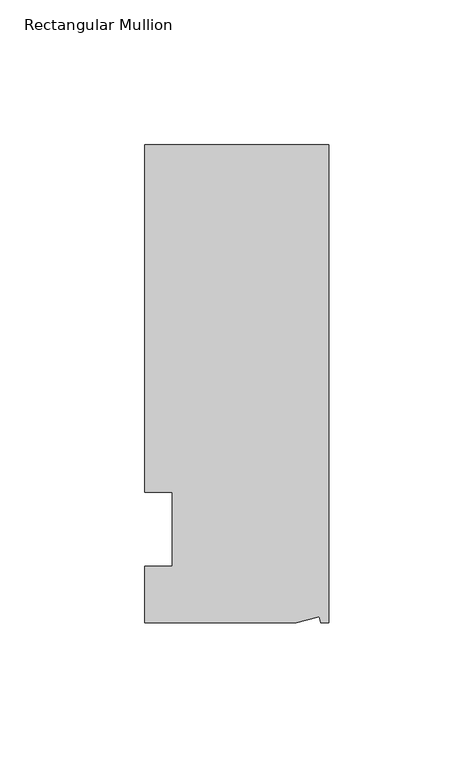
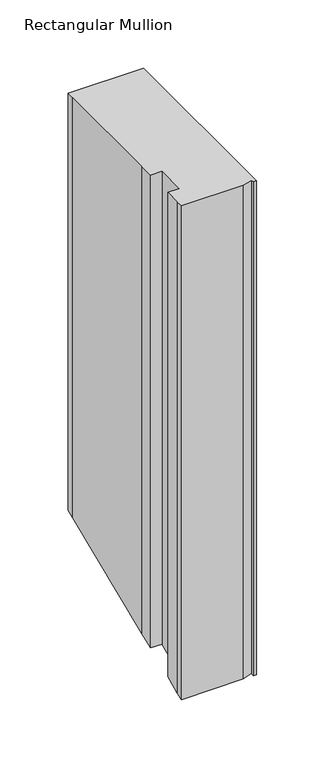
"""IFC4 building model written with IfcOpenShell, lengths in millimetres: member geometry, Rectangular Mullion."""

import ifcopenshell
import ifcopenshell.guid

model = None  # the IFC model being written
_history = None  # IfcOwnerHistory: only IFC2X3 demands one
_inside = {}  # id of a spatial element -> (the spatial element, [elements in it])
_under = {}  # id of a project, library or spatial element -> (it, [spatial elements below it])
_declared = {}  # id of a project -> (the project, [libraries it declares])
_typed = {}  # id of a type object -> (the type object, [elements of that type])
_made_of = {}  # id of a material, layer set ... -> (it, [elements and type objects made of it])


def new_model(schema):
    """Start an empty IFC model of exactly this schema.

    Asked for "IFC4X3", IfcOpenShell would pick the latest addendum, in which some entities
    have other attributes; the version numbers below select the first issue.
    IFC2X3 requires an IfcOwnerHistory on every rooted entity: one is made here for all.
    """
    global model, _history
    if schema == "IFC4X3":
        model = ifcopenshell.file(schema_version=(4, 3, 0, 0))
    else:
        model = ifcopenshell.file(schema=schema)
    _inside.clear()
    _under.clear()
    _declared.clear()
    _typed.clear()
    _made_of.clear()
    _history = None
    if model.schema == "IFC2X3":
        org = make("IfcOrganization", Name="unknown")
        user = make(
            "IfcPersonAndOrganization",
            ThePerson=make("IfcPerson", FamilyName="unknown"),
            TheOrganization=org,
        )
        app = make(
            "IfcApplication",
            ApplicationDeveloper=org,
            Version="unknown",
            ApplicationFullName="unknown",
            ApplicationIdentifier="unknown",
        )
        _history = make(
            "IfcOwnerHistory",
            OwningUser=user,
            OwningApplication=app,
            ChangeAction="ADDED",
            CreationDate=0,
        )
    return model


def make(cls, **values):
    """One entity of the class cls with the attributes given. An attribute that is None is left unset."""
    return model.create_entity(
        cls, **{name: value for name, value in values.items() if value is not None}
    )


def rooted(cls, **values):
    """An entity with a GlobalId (a new one), such as an element, a storey or a relation."""
    return make(cls, GlobalId=ifcopenshell.guid.new(), OwnerHistory=_history, **values)


def si_unit(unit_type, name, prefix=None):
    """IfcSIUnit, for example si_unit("LENGTHUNIT", "METRE", prefix="MILLI")."""
    return make("IfcSIUnit", UnitType=unit_type, Prefix=prefix, Name=name)


def assignment(units):
    """IfcUnitAssignment: the units of a project."""
    return None if units is None else make("IfcUnitAssignment", Units=units)


def point(xyz):
    """IfcCartesianPoint."""
    return None if xyz is None else make("IfcCartesianPoint", Coordinates=xyz)


def direction(xyz):
    """IfcDirection."""
    return None if xyz is None else make("IfcDirection", DirectionRatios=xyz)


def frame(location, z_axis=None, x_axis=None):
    """IfcAxis2Placement3D, a coordinate frame: its origin and axes. An axis left out is left unset."""
    return make(
        "IfcAxis2Placement3D",
        Location=point(location),
        Axis=direction(z_axis),
        RefDirection=direction(x_axis),
    )


def origin():
    """The frame at (0, 0, 0) with its axes left unset."""
    return frame((0.0, 0.0, 0.0))


def place(relative_to, where):
    """IfcLocalPlacement: puts the frame where relative to a parent placement (None: the world)."""
    return make(
        "IfcLocalPlacement", PlacementRelTo=relative_to, RelativePlacement=where
    )


def context(
    kind, dimensions, precision=None, world=None, true_north=None, identifier=None
):
    """IfcGeometricRepresentationContext, for example the 3D "Model" context."""
    return make(
        "IfcGeometricRepresentationContext",
        ContextIdentifier=identifier,
        ContextType=kind,
        CoordinateSpaceDimension=dimensions,
        Precision=precision,
        WorldCoordinateSystem=world,
        TrueNorth=true_north,
    )


def project(units=None, contexts=None):
    """IfcProject with its units and contexts."""
    return rooted(
        "IfcProject",
        Name="project",
        RepresentationContexts=contexts,
        UnitsInContext=assignment(units),
    )


def spatial(cls, under=None, at=None, **own):
    """A site, building, storey or space (cls), placed at a placement, below another one or the project."""
    s = rooted(cls, ObjectPlacement=at, **own)
    if under is not None:
        _under.setdefault(under.id(), (under, []))[1].append(s)
    return s


def faces_of(points, faces, orient=None, outer=None):
    """IfcFace entities. A face is a list of loops; a loop is a list of indices into points, from 0.

    orient and outer hold one flag for each loop. By default every Orientation is true, the
    first loop of a face is its IfcFaceOuterBound and the others are IfcFaceBound.
    """
    made = []
    for i, loops in enumerate(faces):
        bounds = []
        for j, loop in enumerate(loops):
            is_outer = j == 0 if outer is None else outer[i][j]
            bounds.append(
                make(
                    "IfcFaceOuterBound" if is_outer else "IfcFaceBound",
                    Bound=make("IfcPolyLoop", Polygon=[points[k] for k in loop]),
                    Orientation=True if orient is None else orient[i][j],
                )
            )
        made.append(make("IfcFace", Bounds=bounds))
    return made


def faceted_brep(points, faces, orient=None, outer=None, voids=None):
    """IfcFacetedBrep: a solid bounded by flat faces; with voids (closed shells), ...WithVoids."""
    shared = [point(p) for p in points]
    hull = make("IfcClosedShell", CfsFaces=faces_of(shared, faces, orient, outer))
    if voids is None:
        return make("IfcFacetedBrep", Outer=hull)
    return make(
        "IfcFacetedBrepWithVoids",
        Outer=hull,
        Voids=[
            make(cls, CfsFaces=faces_of(shared, fs, o, b)) for cls, fs, o, b in voids
        ],
    )


def shape(context_of_items, identifier, shape_type, items):
    """IfcShapeRepresentation: the items that make up one representation, for example the "Body"."""
    return make(
        "IfcShapeRepresentation",
        ContextOfItems=context_of_items,
        RepresentationIdentifier=identifier,
        RepresentationType=shape_type,
        Items=items,
    )


def source(mapping_origin, context_of_items, identifier, shape_type, items):
    """IfcRepresentationMap: a shape defined once, which mapped items show again and again."""
    return make(
        "IfcRepresentationMap",
        MappingOrigin=mapping_origin,
        MappedRepresentation=shape(context_of_items, identifier, shape_type, items),
    )


def transform(
    local_origin,
    x_axis=None,
    y_axis=None,
    z_axis=None,
    scale=None,
    scale2=None,
    scale3=None,
    uniform=True,
):
    """IfcCartesianTransformationOperator3D, or its non-uniform kind. x_axis, y_axis, z_axis: its Axis1, 2, 3."""
    if uniform:
        return make(
            "IfcCartesianTransformationOperator3D",
            Axis1=direction(x_axis),
            Axis2=direction(y_axis),
            LocalOrigin=point(local_origin),
            Scale=scale,
            Axis3=direction(z_axis),
        )
    return make(
        "IfcCartesianTransformationOperator3DnonUniform",
        Axis1=direction(x_axis),
        Axis2=direction(y_axis),
        LocalOrigin=point(local_origin),
        Scale=scale,
        Axis3=direction(z_axis),
        Scale2=scale2,
        Scale3=scale3,
    )


def mapped(mapping_source, mapping_target):
    """IfcMappedItem: shows the shape of a source again, moved by a transform."""
    return make(
        "IfcMappedItem", MappingSource=mapping_source, MappingTarget=mapping_target
    )


def made_of(thing, what):
    """Note that an element or type object is made of a material, layer set ...; save() writes the relation."""
    if what is not None:
        _made_of.setdefault(what.id(), (what, []))[1].append(thing)
    return thing


def element(
    cls,
    number,
    at=None,
    inside=None,
    cuts=None,
    type_object=None,
    material=None,
    context=None,
    identifier="Body",
    shape_type=None,
    held_by="IfcProductDefinitionShape",
    body=None,
    shapes=None,
    **own,
):
    """One element of the class cls, such as IfcWall. Its Tag is "e" and its number.

    at: its placement. inside: the storey or other place that contains it. cuts: it is an
    opening in that element (IfcRelVoidsElement). A single representation is given by context,
    identifier, shape_type and body (its items); several are given by shapes. held_by: the class
    of the entity that holds the representations. save() writes the other relations.
    """
    e = rooted(cls, Tag="e%d" % number, ObjectPlacement=at, **own)
    if body is not None:
        shapes = [shape(context, identifier, shape_type, body)]
    if shapes is not None:
        e.Representation = make(held_by, Representations=shapes)
    if inside is not None:
        _inside.setdefault(inside.id(), (inside, []))[1].append(e)
    if cuts is not None:
        rooted(
            "IfcRelVoidsElement", RelatingBuildingElement=cuts, RelatedOpeningElement=e
        )
    if type_object is not None:
        _typed.setdefault(type_object.id(), (type_object, []))[1].append(e)
    return made_of(e, material)


def aggregate(whole, parts):
    """IfcRelAggregates: a whole, such as a stair, and the parts it consists of."""
    return rooted("IfcRelAggregates", RelatingObject=whole, RelatedObjects=parts)


def save(model, path):
    """Write the relations noted so far, then the file.

    IfcRelAggregates (storeys below a building ...), IfcRelContainedInSpatialStructure (elements
    in a storey), IfcRelDefinesByType, IfcRelAssociatesMaterial and IfcRelDeclares: one each for
    every whole, place, type object, material and project.
    """
    for whole, parts in _under.values():
        aggregate(whole, parts)
    for where, things in _inside.values():
        rooted(
            "IfcRelContainedInSpatialStructure",
            RelatedElements=things,
            RelatingStructure=where,
        )
    for kind, things in _typed.values():
        rooted("IfcRelDefinesByType", RelatedObjects=things, RelatingType=kind)
    for what, things in _made_of.values():
        rooted("IfcRelAssociatesMaterial", RelatedObjects=things, RelatingMaterial=what)
    for by, libraries in _declared.values():
        rooted("IfcRelDeclares", RelatingContext=by, RelatedDefinitions=libraries)
    model.write(path)


def rectangular_mullion_fe83f873(model_context):
    return source(origin(), model_context, "Body", "Brep", [
        faceted_brep([(-3.3457217, -17.5748952, 0.0), (-11.1265412, -19.6597595, 0.0), (-11.1265412, -19.6597595, -439.943339), (-3.3457217, -17.5748952, -439.0797599), (-2.787084, -19.6597595, 0.0), (-2.787084, -19.6597595, -439.943339), (0.0, -19.6597595, 0.0), (0.0, -19.6597595, -439.943339), (0.0, 145.4402405, 0.0), (0.0, 145.4402405, -371.5566799), (-63.5, 145.4402405, 0.0), (-63.5, 145.4402405, -371.5566799), (-63.5, 38.3358837, 0.0), (-63.5, 139.0912527, 0.0), (-63.5, 139.0912527, -374.1865167), (-63.5, 38.3358837, -415.9207571), (-53.975, 25.4, 0.0), (-63.5, 25.4, 0.0), (-63.5, 25.4, -421.2789755), (-53.975, 25.4, -421.2789755), (-53.975, 0.0, 0.0), (-53.975, 0.0, -431.8), (-63.5, 0.0, 0.0), (-63.5, 0.0, -431.8), (-63.5, -13.6146679, 0.0), (-63.5, -13.6146679, -437.4393801), (-63.5, -19.6597595, 0.0), (-63.5, -19.6597595, -439.943339)], [[[0, 1, 2, 3]], [[4, 0, 3, 5]], [[6, 4, 5, 7]], [[8, 6, 7, 9]], [[10, 8, 9, 11]], [[12, 13, 14, 15]], [[16, 17, 18, 19]], [[20, 16, 19, 21]], [[22, 20, 21, 23]], [[24, 22, 23, 25]], [[1, 26, 27, 2]], [[1, 0, 4, 6, 8, 10, 13, 12, 17, 16, 20, 22, 24, 26]], [[2, 27, 25, 23, 21, 19, 18, 15, 14, 11, 9, 7, 5, 3]], [[13, 10, 11, 14]], [[17, 12, 15, 18]], [[26, 24, 25, 27]]]),
    ])


if __name__ == "__main__":
    model = new_model("IFC4")
    model_context = context("Model", 3, world=origin())
    ifc_project = project(units=[si_unit("LENGTHUNIT", "METRE", prefix="MILLI")], contexts=[model_context])
    site = spatial("IfcSite", under=ifc_project)
    building = spatial("IfcBuilding", under=site)
    placement = place(None, origin())
    rectangular_mullion_shape = rectangular_mullion_fe83f873(model_context)
    element("IfcMember", 1, ObjectType="Rectangular Mullion", at=placement, inside=building, context=model_context, shape_type="MappedRepresentation", body=[
        mapped(rectangular_mullion_shape, transform((0.0, 0.0, 0.0), x_axis=(1.0, 0.0, 0.0), y_axis=(0.0, 1.0, 0.0), z_axis=(0.0, 0.0, 1.0))),
    ])
    save(model, "model.ifc")
